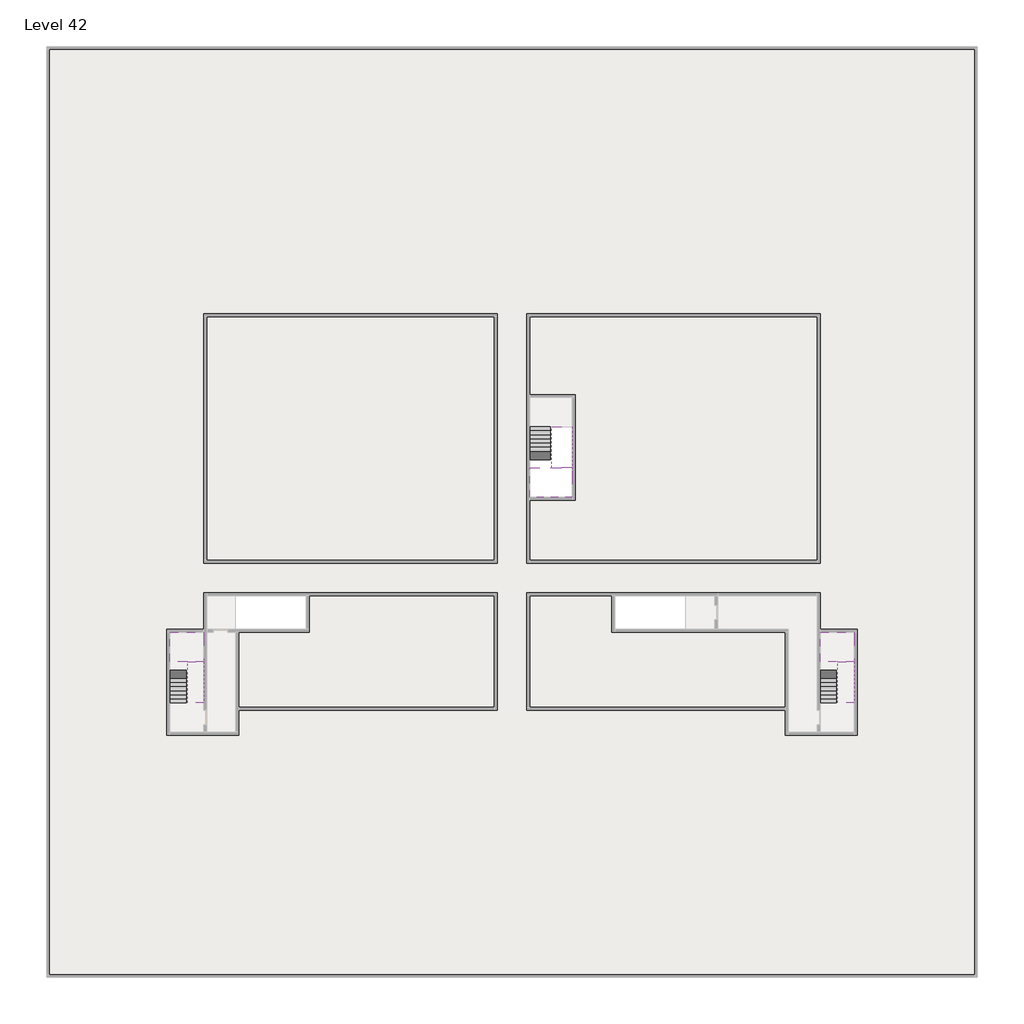
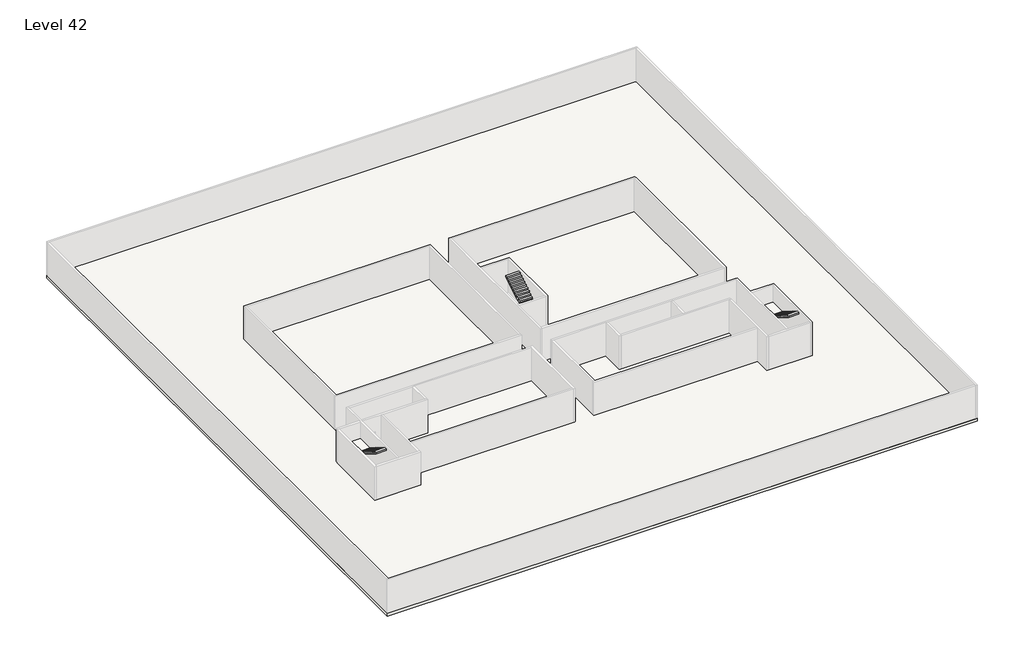
# One storey, part 2 of 2: 6 stair flights, 4 slabs.
"""IFC4 building model written with IfcOpenShell, lengths in millimetres."""

from ifc_helpers import new_model, si_unit, frame, origin, place, context, project, spatial, polyline, outline, extrude, faceted_brep, element, save

model = new_model("IFC4")

# Units and contexts
model_context = context("Model", 3, world=origin())
ifc_project = project(units=[si_unit("LENGTHUNIT", "METRE", prefix="MILLI")], contexts=[model_context])

# Site, building, storey
site = spatial("IfcSite", under=ifc_project)
building = spatial("IfcBuilding", under=site)
storey = spatial("IfcBuildingStorey", under=building, Name="Level 42", Elevation=155800.0)

# Slabs
placement = place(None, origin())
element("IfcSlab", 1, at=placement, inside=storey, context=model_context, shape_type="Brep", body=[
    faceted_brep([(26790.1058784, -34218.09644, 157700.0), (25390.1058784, -34218.09644, 157700.0), (25390.1058784, -34297.4828763, 157700.0), (25390.1058784, -36218.09644, 157700.0), (28290.1058784, -36218.09644, 157700.0), (28290.1058784, -34418.7100038, 157700.0), (28290.1058784, -34218.09644, 157700.0), (26890.1058784, -34218.09644, 157700.0), (26790.1058784, -34218.09644, 157400.0), (26790.1058784, -34218.09644, 157351.0278478), (25390.1058784, -34218.09644, 157351.0278478), (25390.1058784, -34218.09644, 157527.2727273), (25390.1058784, -34297.4828763, 157400.0), (25390.1058784, -36218.09644, 157400.0), (28290.1058784, -36218.09644, 157400.0), (28290.1058784, -34418.7100038, 157400.0), (28290.1058784, -34218.09644, 157523.7551205), (26890.1058784, -34218.09644, 157523.7551205), (26890.1058784, -34218.09644, 157400.0), (26890.1058784, -34418.7100038, 157400.0), (26790.1058784, -34297.4828763, 157400.0)], [[[0, 1, 2, 3, 4, 5, 6, 7]], [[1, 0, 8, 9, 10, 11]], [[1, 11, 10, 12, 13, 3, 2]], [[4, 3, 13, 14]], [[4, 14, 15, 16, 6, 5]], [[7, 6, 16, 17]], [[0, 7, 17, 18, 8]], [[18, 19, 15, 14, 13, 12, 20, 8]], [[19, 18, 17]], [[20, 12, 10, 9]], [[8, 20, 9]], [[15, 19, 17, 16]]]),
])
element("IfcSlab", 2, at=placement, inside=storey, context=model_context, shape_type="Brep", body=[
    faceted_brep([(45190.1058784, -47418.09644, 157700.0), (46290.1058784, -47418.09644, 157700.0), (46390.1058784, -47418.09644, 157700.0), (47490.1058784, -47418.09644, 157700.0), (47490.1058784, -47217.4828763, 157700.0), (47490.1058784, -45418.09644, 157700.0), (45190.1058784, -45418.09644, 157700.0), (45190.1058784, -47338.7100038, 157700.0), (45190.1058784, -47418.09644, 157527.2727273), (45190.1058784, -47418.09644, 157351.0278478), (46290.1058784, -47418.09644, 157351.0278478), (46290.1058784, -47418.09644, 157400.0), (46390.1058784, -47418.09644, 157400.0), (46390.1058784, -47418.09644, 157523.7551205), (47490.1058784, -47418.09644, 157523.7551205), (47490.1058784, -47217.4828763, 157400.0), (47490.1058784, -45418.09644, 157400.0), (45190.1058784, -45418.09644, 157400.0), (45190.1058784, -47338.7100038, 157400.0), (46390.1058784, -47217.4828763, 157400.0), (46290.1058784, -47338.7100038, 157400.0)], [[[0, 1, 2, 3, 4, 5, 6, 7]], [[1, 0, 8, 9, 10, 11]], [[2, 1, 11, 12, 13]], [[3, 2, 13, 14]], [[3, 14, 15, 16, 5, 4]], [[6, 5, 16, 17]], [[9, 8, 0, 7, 6, 17, 18]], [[19, 12, 11, 20, 18, 17, 16, 15]], [[12, 19, 13]], [[18, 20, 10, 9]], [[20, 11, 10]], [[19, 15, 14, 13]]]),
])
element("IfcSlab", 3, at=placement, inside=storey, context=model_context, shape_type="Brep", body=[
    faceted_brep([(890.1058784, -47418.09644, 157700.0), (1990.1058784, -47418.09644, 157700.0), (2090.1058784, -47418.09644, 157700.0), (3190.1058784, -47418.09644, 157700.0), (3190.1058784, -47217.4828763, 157700.0), (3190.1058784, -45418.09644, 157700.0), (890.1058784, -45418.09644, 157700.0), (890.1058784, -47338.7100038, 157700.0), (890.1058784, -47418.09644, 157527.2727273), (890.1058784, -47418.09644, 157351.0278478), (1990.1058784, -47418.09644, 157351.0278478), (1990.1058784, -47418.09644, 157400.0), (2090.1058784, -47418.09644, 157400.0), (2090.1058784, -47418.09644, 157523.7551205), (3190.1058784, -47418.09644, 157523.7551205), (3190.1058784, -47217.4828763, 157400.0), (3190.1058784, -45418.09644, 157400.0), (890.1058784, -45418.09644, 157400.0), (890.1058784, -47338.7100038, 157400.0), (2090.1058784, -47217.4828763, 157400.0), (1990.1058784, -47338.7100038, 157400.0)], [[[0, 1, 2, 3, 4, 5, 6, 7]], [[1, 0, 8, 9, 10, 11]], [[2, 1, 11, 12, 13]], [[3, 2, 13, 14]], [[3, 14, 15, 16, 5, 4]], [[6, 5, 16, 17]], [[9, 8, 0, 7, 6, 17, 18]], [[19, 12, 11, 20, 18, 17, 16, 15]], [[12, 19, 13]], [[18, 20, 10, 9]], [[20, 11, 10]], [[19, 15, 14, 13]]]),
])
element("IfcSlab", 4, at=placement, inside=storey, context=model_context, shape_type="SweptSolid", body=[
    extrude(outline(polyline([(55890.1058784, -5518.09644), (55890.1058784, -68918.09644), (-7509.8941216, -68918.09644), (-7509.8941216, -5518.09644), (55890.1058784, -5518.09644)]), holes=[polyline([(30990.1058784, -42718.09644), (30990.1058784, -45418.09644), (42790.1058784, -45418.09644), (42790.1058784, -52418.09644), (47690.1058784, -52418.09644), (47690.1058784, -45418.09644), (45190.1058784, -45418.09644), (45190.1058784, -42718.09644), (30990.1058784, -42718.09644)]), polyline([(10390.1058784, -42718.09644), (3190.1058784, -42718.09644), (3190.1058784, -45418.09644), (690.1058784, -45418.09644), (690.1058784, -52418.09644), (5590.1058784, -52418.09644), (5590.1058784, -45418.09644), (10390.1058784, -45418.09644), (10390.1058784, -42718.09644)]), polyline([(28290.1058784, -29418.09644), (25390.1058784, -29418.09644), (25390.1058784, -36218.09644), (28290.1058784, -36218.09644), (28290.1058784, -29418.09644)])]), frame((0.0, 0.0, 155500.0), z_axis=(0.0, 0.0, 1.0), x_axis=(1.0, 0.0, 0.0)), (0.0, 0.0, 1.0), 300.0),
])

# Stair flights
element("IfcStairFlight", 5, at=placement, inside=storey, context=model_context, shape_type="Brep", body=[
    faceted_brep([(26790.1058784, -31698.09644, 155972.7272727), (26790.1058784, -31418.09644, 155972.7272727), (25390.1058784, -31418.09644, 155972.7272727), (25390.1058784, -31698.09644, 155972.7272727), (26790.1058784, -31698.09644, 155800.0), (26790.1058784, -31418.09644, 155800.0), (25390.1058784, -31418.09644, 155800.0), (25390.1058784, -31698.09644, 155800.0), (26790.1058784, -31978.09644, 156145.4545455), (26790.1058784, -31698.09644, 156145.4545455), (25390.1058784, -31698.09644, 156145.4545455), (25390.1058784, -31978.09644, 156145.4545455), (26790.1058784, -31978.09644, 155969.209666), (26790.1058784, -31703.7986657, 155800.0), (25390.1058784, -31703.7986657, 155800.0), (25390.1058784, -31978.09644, 155969.209666), (26790.1058784, -32258.09644, 156318.1818182), (26790.1058784, -31978.09644, 156318.1818182), (25390.1058784, -31978.09644, 156318.1818182), (25390.1058784, -32258.09644, 156318.1818182), (26790.1058784, -32258.09644, 156141.9369387), (25390.1058784, -32258.09644, 156141.9369387), (26790.1058784, -32538.09644, 156490.9090909), (26790.1058784, -32258.09644, 156490.9090909), (25390.1058784, -32258.09644, 156490.9090909), (25390.1058784, -32538.09644, 156490.9090909), (26790.1058784, -32538.09644, 156314.6642114), (25390.1058784, -32538.09644, 156314.6642114), (26790.1058784, -32818.09644, 156663.6363636), (26790.1058784, -32538.09644, 156663.6363636), (25390.1058784, -32538.09644, 156663.6363636), (25390.1058784, -32818.09644, 156663.6363636), (26790.1058784, -32818.09644, 156487.3914841), (25390.1058784, -32818.09644, 156487.3914841), (26790.1058784, -33098.09644, 156836.3636364), (26790.1058784, -32818.09644, 156836.3636364), (25390.1058784, -32818.09644, 156836.3636364), (25390.1058784, -33098.09644, 156836.3636364), (26790.1058784, -33098.09644, 156660.1187569), (25390.1058784, -33098.09644, 156660.1187569), (26790.1058784, -33378.09644, 157009.0909091), (26790.1058784, -33098.09644, 157009.0909091), (25390.1058784, -33098.09644, 157009.0909091), (25390.1058784, -33378.09644, 157009.0909091), (26790.1058784, -33378.09644, 156832.8460296), (25390.1058784, -33378.09644, 156832.8460296), (26790.1058784, -33658.09644, 157181.8181818), (26790.1058784, -33378.09644, 157181.8181818), (25390.1058784, -33378.09644, 157181.8181818), (25390.1058784, -33658.09644, 157181.8181818), (26790.1058784, -33658.09644, 157005.5733023), (25390.1058784, -33658.09644, 157005.5733023), (26790.1058784, -33938.09644, 157354.5454545), (26790.1058784, -33658.09644, 157354.5454545), (25390.1058784, -33658.09644, 157354.5454545), (25390.1058784, -33938.09644, 157354.5454545), (26790.1058784, -33938.09644, 157178.3005751), (25390.1058784, -33938.09644, 157178.3005751), (26790.1058784, -34218.09644, 157527.2727273), (26790.1058784, -33938.09644, 157527.2727273), (25390.1058784, -33938.09644, 157527.2727273), (25390.1058784, -34218.09644, 157527.2727273), (26790.1058784, -34218.09644, 157400.0), (26790.1058784, -34218.09644, 157351.0278478), (25390.1058784, -34218.09644, 157351.0278478)], [[[0, 1, 2, 3]], [[1, 0, 4, 5]], [[2, 1, 5, 6]], [[3, 2, 6, 7]], [[8, 9, 10, 11]], [[4, 0, 9, 8, 12, 13]], [[0, 3, 10, 9]], [[3, 7, 14, 15, 11, 10]], [[16, 17, 18, 19]], [[17, 16, 20, 12, 8]], [[8, 11, 18, 17]], [[19, 18, 11, 15, 21]], [[22, 23, 24, 25]], [[23, 22, 26, 20, 16]], [[16, 19, 24, 23]], [[25, 24, 19, 21, 27]], [[28, 29, 30, 31]], [[29, 28, 32, 26, 22]], [[22, 25, 30, 29]], [[31, 30, 25, 27, 33]], [[34, 35, 36, 37]], [[35, 34, 38, 32, 28]], [[28, 31, 36, 35]], [[37, 36, 31, 33, 39]], [[40, 41, 42, 43]], [[41, 40, 44, 38, 34]], [[34, 37, 42, 41]], [[43, 42, 37, 39, 45]], [[46, 47, 48, 49]], [[47, 46, 50, 44, 40]], [[40, 43, 48, 47]], [[49, 48, 43, 45, 51]], [[52, 53, 54, 55]], [[53, 52, 56, 50, 46]], [[46, 49, 54, 53]], [[55, 54, 49, 51, 57]], [[58, 59, 60, 61]], [[59, 58, 62, 63, 56, 52]], [[52, 55, 60, 59]], [[61, 60, 55, 57, 64]], [[58, 61, 64, 63, 62]], [[5, 4, 13, 14, 7, 6]], [[14, 13, 12, 20, 26, 32, 38, 44, 50, 56, 63, 64, 57, 51, 45, 39, 33, 27, 21, 15]]]),
])
element("IfcStairFlight", 6, at=placement, inside=storey, context=model_context, shape_type="Brep", body=[
    faceted_brep([(26890.1058784, -33938.09644, 157872.7272727), (26890.1058784, -34218.09644, 157872.7272727), (28290.1058784, -34218.09644, 157872.7272727), (28290.1058784, -33938.09644, 157872.7272727), (26890.1058784, -33938.09644, 157696.4823932), (26890.1058784, -34218.09644, 157523.7551205), (28290.1058784, -34218.09644, 157523.7551205), (28290.1058784, -34218.09644, 157700.0), (28290.1058784, -33938.09644, 157696.4823932), (26890.1058784, -33658.09644, 158045.4545455), (26890.1058784, -33938.09644, 158045.4545455), (28290.1058784, -33938.09644, 158045.4545455), (28290.1058784, -33658.09644, 158045.4545455), (26890.1058784, -33658.09644, 157869.209666), (28290.1058784, -33658.09644, 157869.209666), (26890.1058784, -33378.09644, 158218.1818182), (26890.1058784, -33658.09644, 158218.1818182), (28290.1058784, -33658.09644, 158218.1818182), (28290.1058784, -33378.09644, 158218.1818182), (26890.1058784, -33378.09644, 158041.9369387), (28290.1058784, -33378.09644, 158041.9369387), (26890.1058784, -33098.09644, 158390.9090909), (26890.1058784, -33378.09644, 158390.9090909), (28290.1058784, -33378.09644, 158390.9090909), (28290.1058784, -33098.09644, 158390.9090909), (26890.1058784, -33098.09644, 158214.6642114), (28290.1058784, -33098.09644, 158214.6642114), (26890.1058784, -32818.09644, 158563.6363636), (26890.1058784, -33098.09644, 158563.6363636), (28290.1058784, -33098.09644, 158563.6363636), (28290.1058784, -32818.09644, 158563.6363636), (26890.1058784, -32818.09644, 158387.3914841), (28290.1058784, -32818.09644, 158387.3914841), (26890.1058784, -32538.09644, 158736.3636364), (26890.1058784, -32818.09644, 158736.3636364), (28290.1058784, -32818.09644, 158736.3636364), (28290.1058784, -32538.09644, 158736.3636364), (26890.1058784, -32538.09644, 158560.1187569), (28290.1058784, -32538.09644, 158560.1187569), (26890.1058784, -32258.09644, 158909.0909091), (26890.1058784, -32538.09644, 158909.0909091), (28290.1058784, -32538.09644, 158909.0909091), (28290.1058784, -32258.09644, 158909.0909091), (26890.1058784, -32258.09644, 158732.8460296), (28290.1058784, -32258.09644, 158732.8460296), (26890.1058784, -31978.09644, 159081.8181818), (26890.1058784, -32258.09644, 159081.8181818), (28290.1058784, -32258.09644, 159081.8181818), (28290.1058784, -31978.09644, 159081.8181818), (26890.1058784, -31978.09644, 158905.5733023), (28290.1058784, -31978.09644, 158905.5733023), (26890.1058784, -31698.09644, 159254.5454545), (26890.1058784, -31978.09644, 159254.5454545), (28290.1058784, -31978.09644, 159254.5454545), (28290.1058784, -31698.09644, 159254.5454545), (26890.1058784, -31698.09644, 159078.3005751), (28290.1058784, -31698.09644, 159078.3005751), (26890.1058784, -31418.09644, 159427.2727273), (26890.1058784, -31698.09644, 159427.2727273), (28290.1058784, -31698.09644, 159427.2727273), (28290.1058784, -31418.09644, 159427.2727273), (26890.1058784, -31418.09644, 159251.0278478), (28290.1058784, -31418.09644, 159251.0278478)], [[[0, 1, 2, 3]], [[1, 0, 4, 5]], [[2, 1, 5, 6, 7]], [[3, 2, 7, 6, 8]], [[9, 10, 11, 12]], [[10, 9, 13, 4, 0]], [[11, 10, 0, 3]], [[12, 11, 3, 8, 14]], [[15, 16, 17, 18]], [[16, 15, 19, 13, 9]], [[17, 16, 9, 12]], [[18, 17, 12, 14, 20]], [[21, 22, 23, 24]], [[22, 21, 25, 19, 15]], [[23, 22, 15, 18]], [[24, 23, 18, 20, 26]], [[27, 28, 29, 30]], [[28, 27, 31, 25, 21]], [[29, 28, 21, 24]], [[30, 29, 24, 26, 32]], [[33, 34, 35, 36]], [[34, 33, 37, 31, 27]], [[35, 34, 27, 30]], [[36, 35, 30, 32, 38]], [[39, 40, 41, 42]], [[40, 39, 43, 37, 33]], [[41, 40, 33, 36]], [[42, 41, 36, 38, 44]], [[45, 46, 47, 48]], [[46, 45, 49, 43, 39]], [[47, 46, 39, 42]], [[48, 47, 42, 44, 50]], [[51, 52, 53, 54]], [[52, 51, 55, 49, 45]], [[53, 52, 45, 48]], [[54, 53, 48, 50, 56]], [[57, 58, 59, 60]], [[58, 57, 61, 55, 51]], [[59, 58, 51, 54]], [[60, 59, 54, 56, 62]], [[57, 60, 62, 61]], [[5, 4, 13, 19, 25, 31, 37, 43, 49, 55, 61, 62, 56, 50, 44, 38, 32, 26, 20, 14, 8, 6]]]),
])
element("IfcStairFlight", 7, at=placement, inside=storey, context=model_context, shape_type="Brep", body=[
    faceted_brep([(45190.1058784, -49938.09644, 155972.7272727), (45190.1058784, -50218.09644, 155972.7272727), (46290.1058784, -50218.09644, 155972.7272727), (46290.1058784, -49938.09644, 155972.7272727), (45190.1058784, -49938.09644, 155800.0), (45190.1058784, -50218.09644, 155800.0), (46290.1058784, -50218.09644, 155800.0), (46290.1058784, -49938.09644, 155800.0), (45190.1058784, -49658.09644, 156145.4545455), (45190.1058784, -49938.09644, 156145.4545455), (46290.1058784, -49938.09644, 156145.4545455), (46290.1058784, -49658.09644, 156145.4545455), (45190.1058784, -49658.09644, 155969.209666), (45190.1058784, -49932.3942143, 155800.0), (46290.1058784, -49932.3942143, 155800.0), (46290.1058784, -49658.09644, 155969.209666), (45190.1058784, -49378.09644, 156318.1818182), (45190.1058784, -49658.09644, 156318.1818182), (46290.1058784, -49658.09644, 156318.1818182), (46290.1058784, -49378.09644, 156318.1818182), (45190.1058784, -49378.09644, 156141.9369387), (46290.1058784, -49378.09644, 156141.9369387), (45190.1058784, -49098.09644, 156490.9090909), (45190.1058784, -49378.09644, 156490.9090909), (46290.1058784, -49378.09644, 156490.9090909), (46290.1058784, -49098.09644, 156490.9090909), (45190.1058784, -49098.09644, 156314.6642114), (46290.1058784, -49098.09644, 156314.6642114), (45190.1058784, -48818.09644, 156663.6363636), (45190.1058784, -49098.09644, 156663.6363636), (46290.1058784, -49098.09644, 156663.6363636), (46290.1058784, -48818.09644, 156663.6363636), (45190.1058784, -48818.09644, 156487.3914841), (46290.1058784, -48818.09644, 156487.3914841), (45190.1058784, -48538.09644, 156836.3636364), (45190.1058784, -48818.09644, 156836.3636364), (46290.1058784, -48818.09644, 156836.3636364), (46290.1058784, -48538.09644, 156836.3636364), (45190.1058784, -48538.09644, 156660.1187569), (46290.1058784, -48538.09644, 156660.1187569), (45190.1058784, -48258.09644, 157009.0909091), (45190.1058784, -48538.09644, 157009.0909091), (46290.1058784, -48538.09644, 157009.0909091), (46290.1058784, -48258.09644, 157009.0909091), (45190.1058784, -48258.09644, 156832.8460296), (46290.1058784, -48258.09644, 156832.8460296), (45190.1058784, -47978.09644, 157181.8181818), (45190.1058784, -48258.09644, 157181.8181818), (46290.1058784, -48258.09644, 157181.8181818), (46290.1058784, -47978.09644, 157181.8181818), (45190.1058784, -47978.09644, 157005.5733023), (46290.1058784, -47978.09644, 157005.5733023), (45190.1058784, -47698.09644, 157354.5454545), (45190.1058784, -47978.09644, 157354.5454545), (46290.1058784, -47978.09644, 157354.5454545), (46290.1058784, -47698.09644, 157354.5454545), (45190.1058784, -47698.09644, 157178.3005751), (46290.1058784, -47698.09644, 157178.3005751), (45190.1058784, -47418.09644, 157527.2727273), (45190.1058784, -47698.09644, 157527.2727273), (46290.1058784, -47698.09644, 157527.2727273), (46290.1058784, -47418.09644, 157527.2727273), (45190.1058784, -47418.09644, 157351.0278478), (46290.1058784, -47418.09644, 157351.0278478), (46290.1058784, -47418.09644, 157400.0)], [[[0, 1, 2, 3]], [[1, 0, 4, 5]], [[2, 1, 5, 6]], [[3, 2, 6, 7]], [[8, 9, 10, 11]], [[4, 0, 9, 8, 12, 13]], [[0, 3, 10, 9]], [[3, 7, 14, 15, 11, 10]], [[16, 17, 18, 19]], [[17, 16, 20, 12, 8]], [[8, 11, 18, 17]], [[19, 18, 11, 15, 21]], [[22, 23, 24, 25]], [[23, 22, 26, 20, 16]], [[16, 19, 24, 23]], [[25, 24, 19, 21, 27]], [[28, 29, 30, 31]], [[29, 28, 32, 26, 22]], [[22, 25, 30, 29]], [[31, 30, 25, 27, 33]], [[34, 35, 36, 37]], [[35, 34, 38, 32, 28]], [[28, 31, 36, 35]], [[37, 36, 31, 33, 39]], [[40, 41, 42, 43]], [[41, 40, 44, 38, 34]], [[34, 37, 42, 41]], [[43, 42, 37, 39, 45]], [[46, 47, 48, 49]], [[47, 46, 50, 44, 40]], [[40, 43, 48, 47]], [[49, 48, 43, 45, 51]], [[52, 53, 54, 55]], [[53, 52, 56, 50, 46]], [[46, 49, 54, 53]], [[55, 54, 49, 51, 57]], [[58, 59, 60, 61]], [[59, 58, 62, 56, 52]], [[52, 55, 60, 59]], [[61, 60, 55, 57, 63, 64]], [[58, 61, 64, 63, 62]], [[5, 4, 13, 14, 7, 6]], [[14, 13, 12, 20, 26, 32, 38, 44, 50, 56, 62, 63, 57, 51, 45, 39, 33, 27, 21, 15]]]),
])
element("IfcStairFlight", 8, at=placement, inside=storey, context=model_context, shape_type="Brep", body=[
    faceted_brep([(47490.1058784, -47698.09644, 157872.7272727), (47490.1058784, -47418.09644, 157872.7272727), (46390.1058784, -47418.09644, 157872.7272727), (46390.1058784, -47698.09644, 157872.7272727), (47490.1058784, -47698.09644, 157696.4823932), (47490.1058784, -47418.09644, 157523.7551205), (47490.1058784, -47418.09644, 157700.0), (46390.1058784, -47418.09644, 157523.7551205), (46390.1058784, -47698.09644, 157696.4823932), (47490.1058784, -47978.09644, 158045.4545455), (47490.1058784, -47698.09644, 158045.4545455), (46390.1058784, -47698.09644, 158045.4545455), (46390.1058784, -47978.09644, 158045.4545455), (47490.1058784, -47978.09644, 157869.209666), (46390.1058784, -47978.09644, 157869.209666), (47490.1058784, -48258.09644, 158218.1818182), (47490.1058784, -47978.09644, 158218.1818182), (46390.1058784, -47978.09644, 158218.1818182), (46390.1058784, -48258.09644, 158218.1818182), (47490.1058784, -48258.09644, 158041.9369387), (46390.1058784, -48258.09644, 158041.9369387), (47490.1058784, -48538.09644, 158390.9090909), (47490.1058784, -48258.09644, 158390.9090909), (46390.1058784, -48258.09644, 158390.9090909), (46390.1058784, -48538.09644, 158390.9090909), (47490.1058784, -48538.09644, 158214.6642114), (46390.1058784, -48538.09644, 158214.6642114), (47490.1058784, -48818.09644, 158563.6363636), (47490.1058784, -48538.09644, 158563.6363636), (46390.1058784, -48538.09644, 158563.6363636), (46390.1058784, -48818.09644, 158563.6363636), (47490.1058784, -48818.09644, 158387.3914841), (46390.1058784, -48818.09644, 158387.3914841), (47490.1058784, -49098.09644, 158736.3636364), (47490.1058784, -48818.09644, 158736.3636364), (46390.1058784, -48818.09644, 158736.3636364), (46390.1058784, -49098.09644, 158736.3636364), (47490.1058784, -49098.09644, 158560.1187569), (46390.1058784, -49098.09644, 158560.1187569), (47490.1058784, -49378.09644, 158909.0909091), (47490.1058784, -49098.09644, 158909.0909091), (46390.1058784, -49098.09644, 158909.0909091), (46390.1058784, -49378.09644, 158909.0909091), (47490.1058784, -49378.09644, 158732.8460296), (46390.1058784, -49378.09644, 158732.8460296), (47490.1058784, -49658.09644, 159081.8181818), (47490.1058784, -49378.09644, 159081.8181818), (46390.1058784, -49378.09644, 159081.8181818), (46390.1058784, -49658.09644, 159081.8181818), (47490.1058784, -49658.09644, 158905.5733023), (46390.1058784, -49658.09644, 158905.5733023), (47490.1058784, -49938.09644, 159254.5454545), (47490.1058784, -49658.09644, 159254.5454545), (46390.1058784, -49658.09644, 159254.5454545), (46390.1058784, -49938.09644, 159254.5454545), (47490.1058784, -49938.09644, 159078.3005751), (46390.1058784, -49938.09644, 159078.3005751), (47490.1058784, -50218.09644, 159427.2727273), (47490.1058784, -49938.09644, 159427.2727273), (46390.1058784, -49938.09644, 159427.2727273), (46390.1058784, -50218.09644, 159427.2727273), (47490.1058784, -50218.09644, 159251.0278478), (46390.1058784, -50218.09644, 159251.0278478)], [[[0, 1, 2, 3]], [[1, 0, 4, 5, 6]], [[2, 1, 6, 5, 7]], [[3, 2, 7, 8]], [[9, 10, 11, 12]], [[10, 9, 13, 4, 0]], [[11, 10, 0, 3]], [[12, 11, 3, 8, 14]], [[15, 16, 17, 18]], [[16, 15, 19, 13, 9]], [[17, 16, 9, 12]], [[18, 17, 12, 14, 20]], [[21, 22, 23, 24]], [[22, 21, 25, 19, 15]], [[23, 22, 15, 18]], [[24, 23, 18, 20, 26]], [[27, 28, 29, 30]], [[28, 27, 31, 25, 21]], [[29, 28, 21, 24]], [[30, 29, 24, 26, 32]], [[33, 34, 35, 36]], [[34, 33, 37, 31, 27]], [[35, 34, 27, 30]], [[36, 35, 30, 32, 38]], [[39, 40, 41, 42]], [[40, 39, 43, 37, 33]], [[41, 40, 33, 36]], [[42, 41, 36, 38, 44]], [[45, 46, 47, 48]], [[46, 45, 49, 43, 39]], [[47, 46, 39, 42]], [[48, 47, 42, 44, 50]], [[51, 52, 53, 54]], [[52, 51, 55, 49, 45]], [[53, 52, 45, 48]], [[54, 53, 48, 50, 56]], [[57, 58, 59, 60]], [[58, 57, 61, 55, 51]], [[59, 58, 51, 54]], [[60, 59, 54, 56, 62]], [[57, 60, 62, 61]], [[5, 4, 13, 19, 25, 31, 37, 43, 49, 55, 61, 62, 56, 50, 44, 38, 32, 26, 20, 14, 8, 7]]]),
])
element("IfcStairFlight", 9, at=placement, inside=storey, context=model_context, shape_type="Brep", body=[
    faceted_brep([(890.1058784, -49938.09644, 155972.7272727), (890.1058784, -50218.09644, 155972.7272727), (1990.1058784, -50218.09644, 155972.7272727), (1990.1058784, -49938.09644, 155972.7272727), (890.1058784, -49938.09644, 155800.0), (890.1058784, -50218.09644, 155800.0), (1990.1058784, -50218.09644, 155800.0), (1990.1058784, -49938.09644, 155800.0), (890.1058784, -49658.09644, 156145.4545455), (890.1058784, -49938.09644, 156145.4545455), (1990.1058784, -49938.09644, 156145.4545455), (1990.1058784, -49658.09644, 156145.4545455), (890.1058784, -49658.09644, 155969.209666), (890.1058784, -49932.3942143, 155800.0), (1990.1058784, -49932.3942143, 155800.0), (1990.1058784, -49658.09644, 155969.209666), (890.1058784, -49378.09644, 156318.1818182), (890.1058784, -49658.09644, 156318.1818182), (1990.1058784, -49658.09644, 156318.1818182), (1990.1058784, -49378.09644, 156318.1818182), (890.1058784, -49378.09644, 156141.9369387), (1990.1058784, -49378.09644, 156141.9369387), (890.1058784, -49098.09644, 156490.9090909), (890.1058784, -49378.09644, 156490.9090909), (1990.1058784, -49378.09644, 156490.9090909), (1990.1058784, -49098.09644, 156490.9090909), (890.1058784, -49098.09644, 156314.6642114), (1990.1058784, -49098.09644, 156314.6642114), (890.1058784, -48818.09644, 156663.6363636), (890.1058784, -49098.09644, 156663.6363636), (1990.1058784, -49098.09644, 156663.6363636), (1990.1058784, -48818.09644, 156663.6363636), (890.1058784, -48818.09644, 156487.3914841), (1990.1058784, -48818.09644, 156487.3914841), (890.1058784, -48538.09644, 156836.3636364), (890.1058784, -48818.09644, 156836.3636364), (1990.1058784, -48818.09644, 156836.3636364), (1990.1058784, -48538.09644, 156836.3636364), (890.1058784, -48538.09644, 156660.1187569), (1990.1058784, -48538.09644, 156660.1187569), (890.1058784, -48258.09644, 157009.0909091), (890.1058784, -48538.09644, 157009.0909091), (1990.1058784, -48538.09644, 157009.0909091), (1990.1058784, -48258.09644, 157009.0909091), (890.1058784, -48258.09644, 156832.8460296), (1990.1058784, -48258.09644, 156832.8460296), (890.1058784, -47978.09644, 157181.8181818), (890.1058784, -48258.09644, 157181.8181818), (1990.1058784, -48258.09644, 157181.8181818), (1990.1058784, -47978.09644, 157181.8181818), (890.1058784, -47978.09644, 157005.5733023), (1990.1058784, -47978.09644, 157005.5733023), (890.1058784, -47698.09644, 157354.5454545), (890.1058784, -47978.09644, 157354.5454545), (1990.1058784, -47978.09644, 157354.5454545), (1990.1058784, -47698.09644, 157354.5454545), (890.1058784, -47698.09644, 157178.3005751), (1990.1058784, -47698.09644, 157178.3005751), (890.1058784, -47418.09644, 157527.2727273), (890.1058784, -47698.09644, 157527.2727273), (1990.1058784, -47698.09644, 157527.2727273), (1990.1058784, -47418.09644, 157527.2727273), (890.1058784, -47418.09644, 157351.0278478), (1990.1058784, -47418.09644, 157351.0278478), (1990.1058784, -47418.09644, 157400.0)], [[[0, 1, 2, 3]], [[1, 0, 4, 5]], [[2, 1, 5, 6]], [[3, 2, 6, 7]], [[8, 9, 10, 11]], [[4, 0, 9, 8, 12, 13]], [[0, 3, 10, 9]], [[3, 7, 14, 15, 11, 10]], [[16, 17, 18, 19]], [[17, 16, 20, 12, 8]], [[8, 11, 18, 17]], [[19, 18, 11, 15, 21]], [[22, 23, 24, 25]], [[23, 22, 26, 20, 16]], [[16, 19, 24, 23]], [[25, 24, 19, 21, 27]], [[28, 29, 30, 31]], [[29, 28, 32, 26, 22]], [[22, 25, 30, 29]], [[31, 30, 25, 27, 33]], [[34, 35, 36, 37]], [[35, 34, 38, 32, 28]], [[28, 31, 36, 35]], [[37, 36, 31, 33, 39]], [[40, 41, 42, 43]], [[41, 40, 44, 38, 34]], [[34, 37, 42, 41]], [[43, 42, 37, 39, 45]], [[46, 47, 48, 49]], [[47, 46, 50, 44, 40]], [[40, 43, 48, 47]], [[49, 48, 43, 45, 51]], [[52, 53, 54, 55]], [[53, 52, 56, 50, 46]], [[46, 49, 54, 53]], [[55, 54, 49, 51, 57]], [[58, 59, 60, 61]], [[59, 58, 62, 56, 52]], [[52, 55, 60, 59]], [[61, 60, 55, 57, 63, 64]], [[58, 61, 64, 63, 62]], [[5, 4, 13, 14, 7, 6]], [[14, 13, 12, 20, 26, 32, 38, 44, 50, 56, 62, 63, 57, 51, 45, 39, 33, 27, 21, 15]]]),
])
element("IfcStairFlight", 10, at=placement, inside=storey, context=model_context, shape_type="Brep", body=[
    faceted_brep([(3190.1058784, -47698.09644, 157872.7272727), (3190.1058784, -47418.09644, 157872.7272727), (2090.1058784, -47418.09644, 157872.7272727), (2090.1058784, -47698.09644, 157872.7272727), (3190.1058784, -47698.09644, 157696.4823932), (3190.1058784, -47418.09644, 157523.7551205), (3190.1058784, -47418.09644, 157700.0), (2090.1058784, -47418.09644, 157523.7551205), (2090.1058784, -47698.09644, 157696.4823932), (3190.1058784, -47978.09644, 158045.4545455), (3190.1058784, -47698.09644, 158045.4545455), (2090.1058784, -47698.09644, 158045.4545455), (2090.1058784, -47978.09644, 158045.4545455), (3190.1058784, -47978.09644, 157869.209666), (2090.1058784, -47978.09644, 157869.209666), (3190.1058784, -48258.09644, 158218.1818182), (3190.1058784, -47978.09644, 158218.1818182), (2090.1058784, -47978.09644, 158218.1818182), (2090.1058784, -48258.09644, 158218.1818182), (3190.1058784, -48258.09644, 158041.9369387), (2090.1058784, -48258.09644, 158041.9369387), (3190.1058784, -48538.09644, 158390.9090909), (3190.1058784, -48258.09644, 158390.9090909), (2090.1058784, -48258.09644, 158390.9090909), (2090.1058784, -48538.09644, 158390.9090909), (3190.1058784, -48538.09644, 158214.6642114), (2090.1058784, -48538.09644, 158214.6642114), (3190.1058784, -48818.09644, 158563.6363636), (3190.1058784, -48538.09644, 158563.6363636), (2090.1058784, -48538.09644, 158563.6363636), (2090.1058784, -48818.09644, 158563.6363636), (3190.1058784, -48818.09644, 158387.3914841), (2090.1058784, -48818.09644, 158387.3914841), (3190.1058784, -49098.09644, 158736.3636364), (3190.1058784, -48818.09644, 158736.3636364), (2090.1058784, -48818.09644, 158736.3636364), (2090.1058784, -49098.09644, 158736.3636364), (3190.1058784, -49098.09644, 158560.1187569), (2090.1058784, -49098.09644, 158560.1187569), (3190.1058784, -49378.09644, 158909.0909091), (3190.1058784, -49098.09644, 158909.0909091), (2090.1058784, -49098.09644, 158909.0909091), (2090.1058784, -49378.09644, 158909.0909091), (3190.1058784, -49378.09644, 158732.8460296), (2090.1058784, -49378.09644, 158732.8460296), (3190.1058784, -49658.09644, 159081.8181818), (3190.1058784, -49378.09644, 159081.8181818), (2090.1058784, -49378.09644, 159081.8181818), (2090.1058784, -49658.09644, 159081.8181818), (3190.1058784, -49658.09644, 158905.5733023), (2090.1058784, -49658.09644, 158905.5733023), (3190.1058784, -49938.09644, 159254.5454545), (3190.1058784, -49658.09644, 159254.5454545), (2090.1058784, -49658.09644, 159254.5454545), (2090.1058784, -49938.09644, 159254.5454545), (3190.1058784, -49938.09644, 159078.3005751), (2090.1058784, -49938.09644, 159078.3005751), (3190.1058784, -50218.09644, 159427.2727273), (3190.1058784, -49938.09644, 159427.2727273), (2090.1058784, -49938.09644, 159427.2727273), (2090.1058784, -50218.09644, 159427.2727273), (3190.1058784, -50218.09644, 159251.0278478), (2090.1058784, -50218.09644, 159251.0278478)], [[[0, 1, 2, 3]], [[1, 0, 4, 5, 6]], [[2, 1, 6, 5, 7]], [[3, 2, 7, 8]], [[9, 10, 11, 12]], [[10, 9, 13, 4, 0]], [[11, 10, 0, 3]], [[12, 11, 3, 8, 14]], [[15, 16, 17, 18]], [[16, 15, 19, 13, 9]], [[17, 16, 9, 12]], [[18, 17, 12, 14, 20]], [[21, 22, 23, 24]], [[22, 21, 25, 19, 15]], [[23, 22, 15, 18]], [[24, 23, 18, 20, 26]], [[27, 28, 29, 30]], [[28, 27, 31, 25, 21]], [[29, 28, 21, 24]], [[30, 29, 24, 26, 32]], [[33, 34, 35, 36]], [[34, 33, 37, 31, 27]], [[35, 34, 27, 30]], [[36, 35, 30, 32, 38]], [[39, 40, 41, 42]], [[40, 39, 43, 37, 33]], [[41, 40, 33, 36]], [[42, 41, 36, 38, 44]], [[45, 46, 47, 48]], [[46, 45, 49, 43, 39]], [[47, 46, 39, 42]], [[48, 47, 42, 44, 50]], [[51, 52, 53, 54]], [[52, 51, 55, 49, 45]], [[53, 52, 45, 48]], [[54, 53, 48, 50, 56]], [[57, 58, 59, 60]], [[58, 57, 61, 55, 51]], [[59, 58, 51, 54]], [[60, 59, 54, 56, 62]], [[57, 60, 62, 61]], [[5, 4, 13, 19, 25, 31, 37, 43, 49, 55, 61, 62, 56, 50, 44, 38, 32, 26, 20, 14, 8, 7]]]),
])

save(model, "model.ifc")
